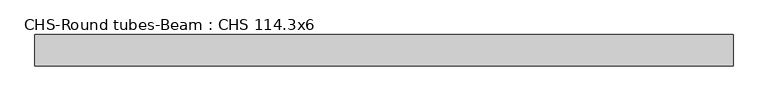
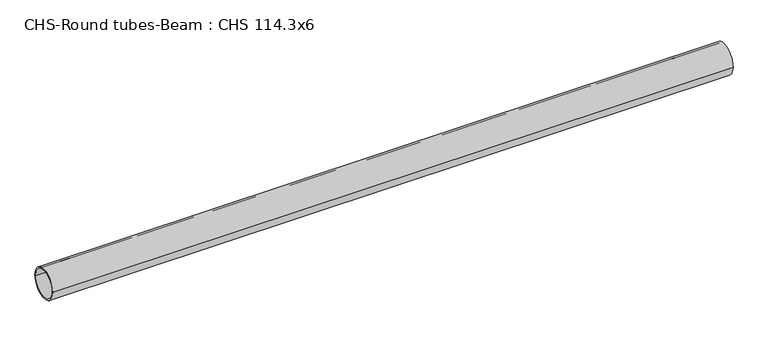
"""IFC4 building model written with IfcOpenShell, lengths in millimetres: beam geometry, CHS-Round tubes-Beam : CHS 114.3x6."""

from ifc_helpers import new_model, si_unit, point, frame, origin, origin_2d, place, context, project, spatial, circle_curve, trimmed, segment, composite_curve, outline, extrude, source, transform, mapped, element, save


def chs_round_tubes_beam_chs_114_3x6_5c7168a8(model_context):
    return source(origin(), model_context, "Body", "SweptSolid", [
        extrude(outline(composite_curve([segment(trimmed(circle_curve(origin_2d(), 57.15), [point((57.15, 0.0))], [point((-57.15, 0.0))], False, "CARTESIAN"), True, "CONTINUOUS"), segment(trimmed(circle_curve(origin_2d(), 57.15), [point((-57.15, 0.0))], [point((57.15, 0.0))], False, "CARTESIAN"), True, "CONTINUOUS")], self_intersect=False), holes=[composite_curve([segment(trimmed(circle_curve(origin_2d(), 51.15), [point((51.15, 0.0))], [point((-51.15, 0.0))], True, "CARTESIAN"), True, "CONTINUOUS"), segment(trimmed(circle_curve(origin_2d(), 51.15), [point((-51.15, 0.0))], [point((51.15, 0.0))], True, "CARTESIAN"), True, "CONTINUOUS")], self_intersect=False)]), frame((-1272.067277, 0.0, 0.0), z_axis=(1.0, 0.0, 0.0), x_axis=(0.0, 1.0, 0.0)), (0.0, 0.0, 1.0), 2535.4945626),
    ])


if __name__ == "__main__":
    model = new_model("IFC4")
    model_context = context("Model", 3, world=origin())
    ifc_project = project(units=[si_unit("LENGTHUNIT", "METRE", prefix="MILLI")], contexts=[model_context])
    site = spatial("IfcSite", under=ifc_project)
    building = spatial("IfcBuilding", under=site)
    placement = place(None, origin())
    chs_round_tubes_beam_chs_114_3x6_shape = chs_round_tubes_beam_chs_114_3x6_5c7168a8(model_context)
    element("IfcBeam", 1, ObjectType="CHS-Round tubes-Beam : CHS 114.3x6", at=placement, inside=building, context=model_context, shape_type="MappedRepresentation", body=[
        mapped(chs_round_tubes_beam_chs_114_3x6_shape, transform((0.0, 0.0, 0.0), x_axis=(1.0, 0.0, 0.0), y_axis=(0.0, 1.0, 0.0), z_axis=(0.0, 0.0, 1.0))),
    ])
    save(model, "model.ifc")
